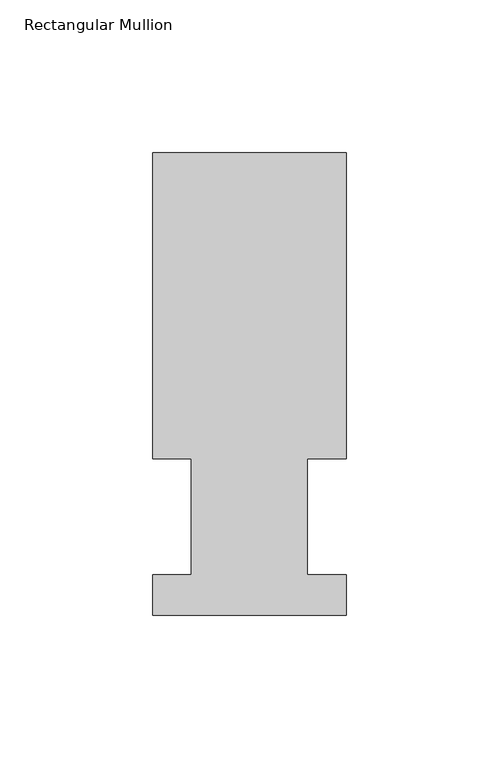
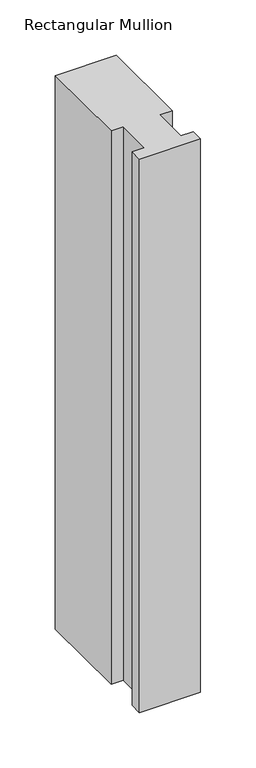
"""IFC4 building model written with IfcOpenShell, lengths in millimetres: member geometry, Rectangular Mullion."""

from ifc_helpers import new_model, si_unit, frame, origin, place, context, project, spatial, polyline, outline, extrude, source, transform, mapped, element, save


def rectangular_mullion_c58f23c4(model_context):
    return source(origin(), model_context, "Body", "SweptSolid", [
        extrude(outline(polyline([(-1e-07, 13.1960936), (-2e-07, 0.0134936), (-63.5000001, 0.0134937), (-63.5000001, 13.1960937), (-50.8000001, 13.1960937), (-50.8, 51.2960937), (-63.5000001, 51.2960937), (-63.4999999, 151.7022937), (1e-07, 151.7022936), (-1e-07, 51.2960936), (-12.6873, 51.2960936), (-12.6873001, 13.1960936), (-1e-07, 13.1960936)])), frame((0.0, 0.0, -609.6), z_axis=(0.0, 0.0, 1.0), x_axis=(1.0, 0.0, 0.0)), (0.0, 0.0, 1.0), 609.6),
    ])


if __name__ == "__main__":
    model = new_model("IFC4")
    model_context = context("Model", 3, world=origin())
    ifc_project = project(units=[si_unit("LENGTHUNIT", "METRE", prefix="MILLI")], contexts=[model_context])
    site = spatial("IfcSite", under=ifc_project)
    building = spatial("IfcBuilding", under=site)
    placement = place(None, origin())
    rectangular_mullion_shape = rectangular_mullion_c58f23c4(model_context)
    element("IfcMember", 1, ObjectType="Rectangular Mullion", at=placement, inside=building, context=model_context, shape_type="MappedRepresentation", body=[
        mapped(rectangular_mullion_shape, transform((0.0, 0.0, 0.0), x_axis=(1.0, 0.0, 0.0), y_axis=(0.0, 1.0, 0.0), z_axis=(0.0, 0.0, 1.0))),
    ])
    save(model, "model.ifc")
